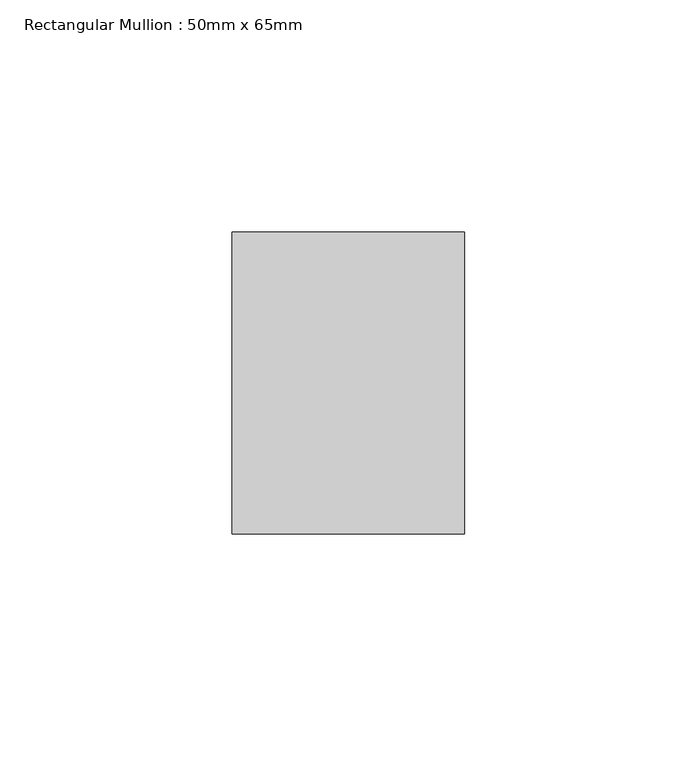
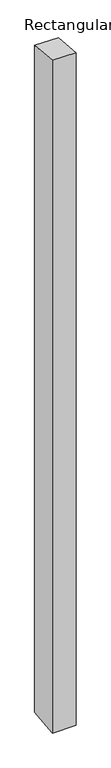
"""IFC4 building model written with IfcOpenShell, lengths in millimetres: member geometry, Rectangular Mullion : 50mm x 65mm."""

from ifc_helpers import new_model, si_unit, origin, place, context, project, spatial, faceted_brep, source, transform, mapped, element, save


def rectangular_mullion_50mm_x_65mm_49d33888(model_context):
    return source(origin(), model_context, "Body", "Brep", [
        faceted_brep([(-25.0, 32.5, -2.9911522), (25.0, 32.5, -2.9911598), (25.0, 32.5, -1496.628365), (-25.0, 32.5, -1496.6283736), (-25.0, -32.5, 2.9911598), (-25.0, -32.5, -1503.3717373), (25.0, -32.5, 2.9911522), (25.0, -32.5, -1503.3717287)], [[[0, 1, 2, 3]], [[4, 0, 3, 5]], [[6, 4, 5, 7]], [[1, 6, 7, 2]], [[1, 0, 4, 6]], [[2, 7, 5, 3]]]),
    ])


if __name__ == "__main__":
    model = new_model("IFC4")
    model_context = context("Model", 3, world=origin())
    ifc_project = project(units=[si_unit("LENGTHUNIT", "METRE", prefix="MILLI")], contexts=[model_context])
    site = spatial("IfcSite", under=ifc_project)
    building = spatial("IfcBuilding", under=site)
    placement = place(None, origin())
    rectangular_mullion_50mm_x_65mm_shape = rectangular_mullion_50mm_x_65mm_49d33888(model_context)
    element("IfcMember", 1, ObjectType="Rectangular Mullion : 50mm x 65mm", at=placement, inside=building, context=model_context, shape_type="MappedRepresentation", body=[
        mapped(rectangular_mullion_50mm_x_65mm_shape, transform((0.0, 0.0, 0.0), x_axis=(1.0, 0.0, 0.0), y_axis=(0.0, 1.0, 0.0), z_axis=(0.0, 0.0, 1.0))),
    ])
    save(model, "model.ifc")
